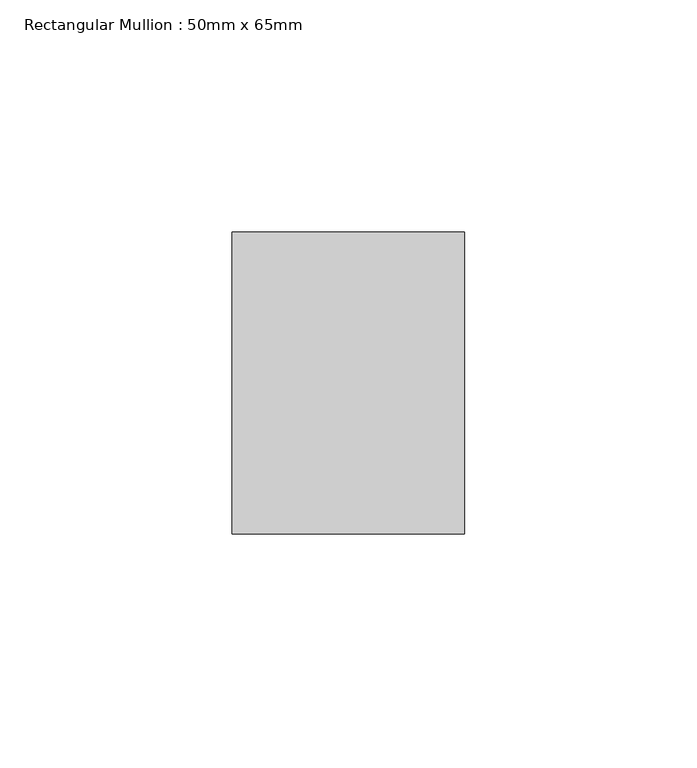
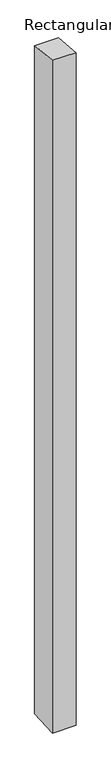
"""IFC4 building model written with IfcOpenShell, lengths in millimetres: member geometry, Rectangular Mullion : 50mm x 65mm."""

from ifc_helpers import new_model, si_unit, origin, place, context, project, spatial, faceted_brep, source, transform, mapped, element, save


def rectangular_mullion_50mm_x_65mm_794fc52b(model_context):
    return source(origin(), model_context, "Body", "Brep", [
        faceted_brep([(-25.0, 32.5, -3.1469373), (25.0, 32.5, -3.1469378), (25.0, 32.5, -1497.8334289), (-25.0, 32.5, -1497.8334292), (-25.0, -32.5, 3.1469378), (-25.0, -32.5, -1502.165386), (25.0, -32.5, 3.1469373), (25.0, -32.5, -1502.1653856)], [[[0, 1, 2, 3]], [[4, 0, 3, 5]], [[6, 4, 5, 7]], [[1, 6, 7, 2]], [[1, 0, 4, 6]], [[2, 7, 5, 3]]]),
    ])


if __name__ == "__main__":
    model = new_model("IFC4")
    model_context = context("Model", 3, world=origin())
    ifc_project = project(units=[si_unit("LENGTHUNIT", "METRE", prefix="MILLI")], contexts=[model_context])
    site = spatial("IfcSite", under=ifc_project)
    building = spatial("IfcBuilding", under=site)
    placement = place(None, origin())
    rectangular_mullion_50mm_x_65mm_shape = rectangular_mullion_50mm_x_65mm_794fc52b(model_context)
    element("IfcMember", 1, ObjectType="Rectangular Mullion : 50mm x 65mm", at=placement, inside=building, context=model_context, shape_type="MappedRepresentation", body=[
        mapped(rectangular_mullion_50mm_x_65mm_shape, transform((0.0, 0.0, 0.0), x_axis=(1.0, 0.0, 0.0), y_axis=(0.0, 1.0, 0.0), z_axis=(0.0, 0.0, 1.0))),
    ])
    save(model, "model.ifc")
